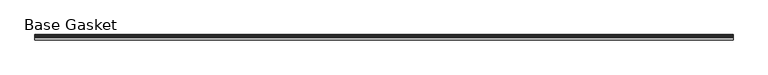
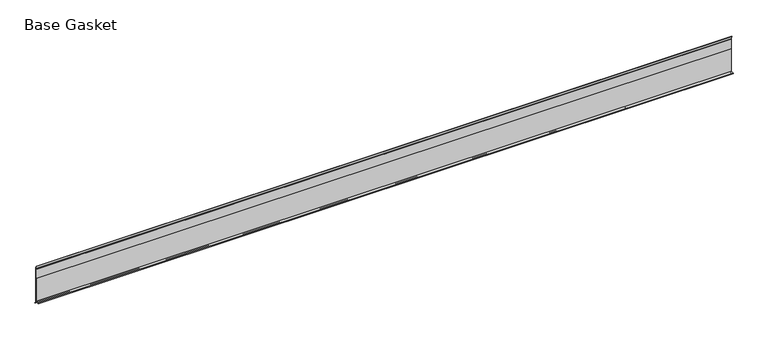
"""IFC4 building model written with IfcOpenShell, lengths in millimetres: furniture geometry, Base Gasket."""

import ifcopenshell
import ifcopenshell.guid

model = None  # the IFC model being written
_history = None  # IfcOwnerHistory: only IFC2X3 demands one
_inside = {}  # id of a spatial element -> (the spatial element, [elements in it])
_under = {}  # id of a project, library or spatial element -> (it, [spatial elements below it])
_declared = {}  # id of a project -> (the project, [libraries it declares])
_typed = {}  # id of a type object -> (the type object, [elements of that type])
_made_of = {}  # id of a material, layer set ... -> (it, [elements and type objects made of it])


def new_model(schema):
    """Start an empty IFC model of exactly this schema.

    Asked for "IFC4X3", IfcOpenShell would pick the latest addendum, in which some entities
    have other attributes; the version numbers below select the first issue.
    IFC2X3 requires an IfcOwnerHistory on every rooted entity: one is made here for all.
    """
    global model, _history
    if schema == "IFC4X3":
        model = ifcopenshell.file(schema_version=(4, 3, 0, 0))
    else:
        model = ifcopenshell.file(schema=schema)
    _inside.clear()
    _under.clear()
    _declared.clear()
    _typed.clear()
    _made_of.clear()
    _history = None
    if model.schema == "IFC2X3":
        org = make("IfcOrganization", Name="unknown")
        user = make(
            "IfcPersonAndOrganization",
            ThePerson=make("IfcPerson", FamilyName="unknown"),
            TheOrganization=org,
        )
        app = make(
            "IfcApplication",
            ApplicationDeveloper=org,
            Version="unknown",
            ApplicationFullName="unknown",
            ApplicationIdentifier="unknown",
        )
        _history = make(
            "IfcOwnerHistory",
            OwningUser=user,
            OwningApplication=app,
            ChangeAction="ADDED",
            CreationDate=0,
        )
    return model


def make(cls, **values):
    """One entity of the class cls with the attributes given. An attribute that is None is left unset."""
    return model.create_entity(
        cls, **{name: value for name, value in values.items() if value is not None}
    )


def rooted(cls, **values):
    """An entity with a GlobalId (a new one), such as an element, a storey or a relation."""
    return make(cls, GlobalId=ifcopenshell.guid.new(), OwnerHistory=_history, **values)


def si_unit(unit_type, name, prefix=None):
    """IfcSIUnit, for example si_unit("LENGTHUNIT", "METRE", prefix="MILLI")."""
    return make("IfcSIUnit", UnitType=unit_type, Prefix=prefix, Name=name)


def assignment(units):
    """IfcUnitAssignment: the units of a project."""
    return None if units is None else make("IfcUnitAssignment", Units=units)


def point(xyz):
    """IfcCartesianPoint."""
    return None if xyz is None else make("IfcCartesianPoint", Coordinates=xyz)


def direction(xyz):
    """IfcDirection."""
    return None if xyz is None else make("IfcDirection", DirectionRatios=xyz)


def frame(location, z_axis=None, x_axis=None):
    """IfcAxis2Placement3D, a coordinate frame: its origin and axes. An axis left out is left unset."""
    return make(
        "IfcAxis2Placement3D",
        Location=point(location),
        Axis=direction(z_axis),
        RefDirection=direction(x_axis),
    )


def origin():
    """The frame at (0, 0, 0) with its axes left unset."""
    return frame((0.0, 0.0, 0.0))


def place(relative_to, where):
    """IfcLocalPlacement: puts the frame where relative to a parent placement (None: the world)."""
    return make(
        "IfcLocalPlacement", PlacementRelTo=relative_to, RelativePlacement=where
    )


def context(
    kind, dimensions, precision=None, world=None, true_north=None, identifier=None
):
    """IfcGeometricRepresentationContext, for example the 3D "Model" context."""
    return make(
        "IfcGeometricRepresentationContext",
        ContextIdentifier=identifier,
        ContextType=kind,
        CoordinateSpaceDimension=dimensions,
        Precision=precision,
        WorldCoordinateSystem=world,
        TrueNorth=true_north,
    )


def project(units=None, contexts=None):
    """IfcProject with its units and contexts."""
    return rooted(
        "IfcProject",
        Name="project",
        RepresentationContexts=contexts,
        UnitsInContext=assignment(units),
    )


def spatial(cls, under=None, at=None, **own):
    """A site, building, storey or space (cls), placed at a placement, below another one or the project."""
    s = rooted(cls, ObjectPlacement=at, **own)
    if under is not None:
        _under.setdefault(under.id(), (under, []))[1].append(s)
    return s


def polyline(points):
    """IfcPolyline through the points."""
    return make("IfcPolyline", Points=[point(p) for p in points])


def outline(outer, holes=None, kind="AREA"):
    """IfcArbitraryClosedProfileDef: a profile drawn as a closed curve; with holes, ...WithVoids."""
    if holes is None:
        return make("IfcArbitraryClosedProfileDef", ProfileType=kind, OuterCurve=outer)
    return make(
        "IfcArbitraryProfileDefWithVoids",
        ProfileType=kind,
        OuterCurve=outer,
        InnerCurves=holes,
    )


def extrude(swept, where, along, depth):
    """IfcExtrudedAreaSolid: the profile swept, set in the frame where, extruded along a direction by depth."""
    return make(
        "IfcExtrudedAreaSolid",
        SweptArea=swept,
        Position=where,
        ExtrudedDirection=direction(along),
        Depth=depth,
    )


def shape(context_of_items, identifier, shape_type, items):
    """IfcShapeRepresentation: the items that make up one representation, for example the "Body"."""
    return make(
        "IfcShapeRepresentation",
        ContextOfItems=context_of_items,
        RepresentationIdentifier=identifier,
        RepresentationType=shape_type,
        Items=items,
    )


def source(mapping_origin, context_of_items, identifier, shape_type, items):
    """IfcRepresentationMap: a shape defined once, which mapped items show again and again."""
    return make(
        "IfcRepresentationMap",
        MappingOrigin=mapping_origin,
        MappedRepresentation=shape(context_of_items, identifier, shape_type, items),
    )


def transform(
    local_origin,
    x_axis=None,
    y_axis=None,
    z_axis=None,
    scale=None,
    scale2=None,
    scale3=None,
    uniform=True,
):
    """IfcCartesianTransformationOperator3D, or its non-uniform kind. x_axis, y_axis, z_axis: its Axis1, 2, 3."""
    if uniform:
        return make(
            "IfcCartesianTransformationOperator3D",
            Axis1=direction(x_axis),
            Axis2=direction(y_axis),
            LocalOrigin=point(local_origin),
            Scale=scale,
            Axis3=direction(z_axis),
        )
    return make(
        "IfcCartesianTransformationOperator3DnonUniform",
        Axis1=direction(x_axis),
        Axis2=direction(y_axis),
        LocalOrigin=point(local_origin),
        Scale=scale,
        Axis3=direction(z_axis),
        Scale2=scale2,
        Scale3=scale3,
    )


def mapped(mapping_source, mapping_target):
    """IfcMappedItem: shows the shape of a source again, moved by a transform."""
    return make(
        "IfcMappedItem", MappingSource=mapping_source, MappingTarget=mapping_target
    )


def made_of(thing, what):
    """Note that an element or type object is made of a material, layer set ...; save() writes the relation."""
    if what is not None:
        _made_of.setdefault(what.id(), (what, []))[1].append(thing)
    return thing


def element(
    cls,
    number,
    at=None,
    inside=None,
    cuts=None,
    type_object=None,
    material=None,
    context=None,
    identifier="Body",
    shape_type=None,
    held_by="IfcProductDefinitionShape",
    body=None,
    shapes=None,
    **own,
):
    """One element of the class cls, such as IfcWall. Its Tag is "e" and its number.

    at: its placement. inside: the storey or other place that contains it. cuts: it is an
    opening in that element (IfcRelVoidsElement). A single representation is given by context,
    identifier, shape_type and body (its items); several are given by shapes. held_by: the class
    of the entity that holds the representations. save() writes the other relations.
    """
    e = rooted(cls, Tag="e%d" % number, ObjectPlacement=at, **own)
    if body is not None:
        shapes = [shape(context, identifier, shape_type, body)]
    if shapes is not None:
        e.Representation = make(held_by, Representations=shapes)
    if inside is not None:
        _inside.setdefault(inside.id(), (inside, []))[1].append(e)
    if cuts is not None:
        rooted(
            "IfcRelVoidsElement", RelatingBuildingElement=cuts, RelatedOpeningElement=e
        )
    if type_object is not None:
        _typed.setdefault(type_object.id(), (type_object, []))[1].append(e)
    return made_of(e, material)


def aggregate(whole, parts):
    """IfcRelAggregates: a whole, such as a stair, and the parts it consists of."""
    return rooted("IfcRelAggregates", RelatingObject=whole, RelatedObjects=parts)


def save(model, path):
    """Write the relations noted so far, then the file.

    IfcRelAggregates (storeys below a building ...), IfcRelContainedInSpatialStructure (elements
    in a storey), IfcRelDefinesByType, IfcRelAssociatesMaterial and IfcRelDeclares: one each for
    every whole, place, type object, material and project.
    """
    for whole, parts in _under.values():
        aggregate(whole, parts)
    for where, things in _inside.values():
        rooted(
            "IfcRelContainedInSpatialStructure",
            RelatedElements=things,
            RelatingStructure=where,
        )
    for kind, things in _typed.values():
        rooted("IfcRelDefinesByType", RelatedObjects=things, RelatingType=kind)
    for what, things in _made_of.values():
        rooted("IfcRelAssociatesMaterial", RelatedObjects=things, RelatingMaterial=what)
    for by, libraries in _declared.values():
        rooted("IfcRelDeclares", RelatingContext=by, RelatedDefinitions=libraries)
    model.write(path)


def base_gasket_d43c9bb1(model_context):
    return source(origin(), model_context, "Body", "SweptSolid", [
        extrude(outline(polyline([(3.7283812, 98.4568417), (3.7283812, 4.3498477), (7.4222115, 0.6560174), (7.8482342, 0.0), (6.8281054, 0.3520979), (2.2043812, 4.3498477), (2.1334222, 6.3818476), (-6.2405171, 6.3818476), (-6.2405171, 7.9398773), (2.2043812, 7.9398773), (2.2043812, 71.4693447), (1.4106313, 71.4693447), (1.4106313, 96.8693477), (2.2043812, 96.8693477), (2.2043812, 98.4568417), (0.6755308, 104.4162708), (0.6755308, 105.2002997), (1.1891543, 104.587663), (3.7283812, 98.4568417)])), frame((-1527.8982117, 0.0, 0.0), z_axis=(1.0, 0.0, 0.0), x_axis=(0.0, 1.0, 0.0)), (0.0, 0.0, 1.0), 1812.3364655),
    ])


if __name__ == "__main__":
    model = new_model("IFC4")
    model_context = context("Model", 3, world=origin())
    ifc_project = project(units=[si_unit("LENGTHUNIT", "METRE", prefix="MILLI")], contexts=[model_context])
    site = spatial("IfcSite", under=ifc_project)
    building = spatial("IfcBuilding", under=site)
    placement = place(None, origin())
    base_gasket_shape = base_gasket_d43c9bb1(model_context)
    element("IfcFurniture", 1, ObjectType="Base Gasket", at=placement, inside=building, context=model_context, shape_type="MappedRepresentation", body=[
        mapped(base_gasket_shape, transform((0.0, 0.0, 0.0), x_axis=(1.0, 0.0, 0.0), y_axis=(0.0, 1.0, 0.0), z_axis=(0.0, 0.0, 1.0))),
    ])
    save(model, "model.ifc")
